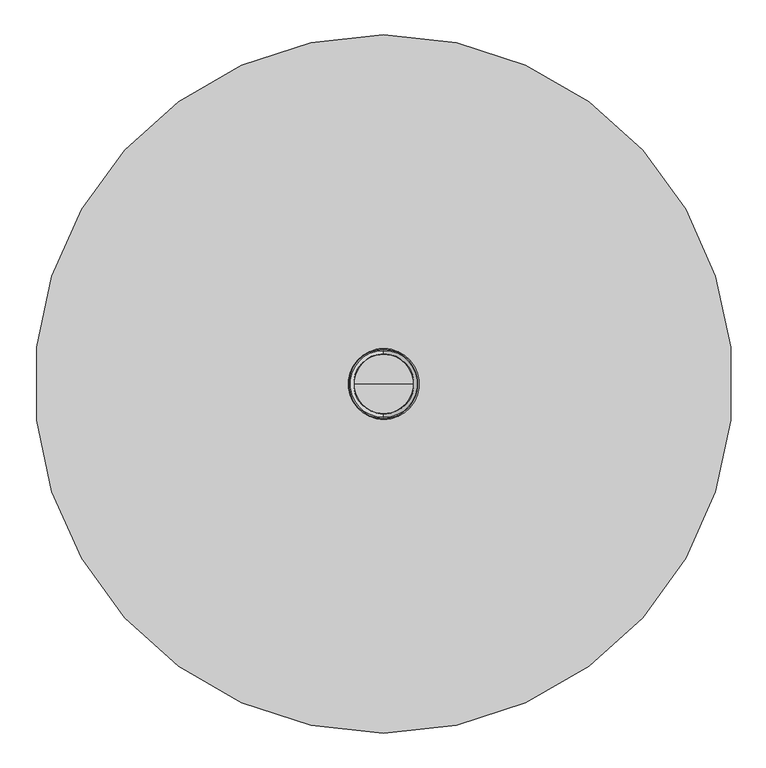
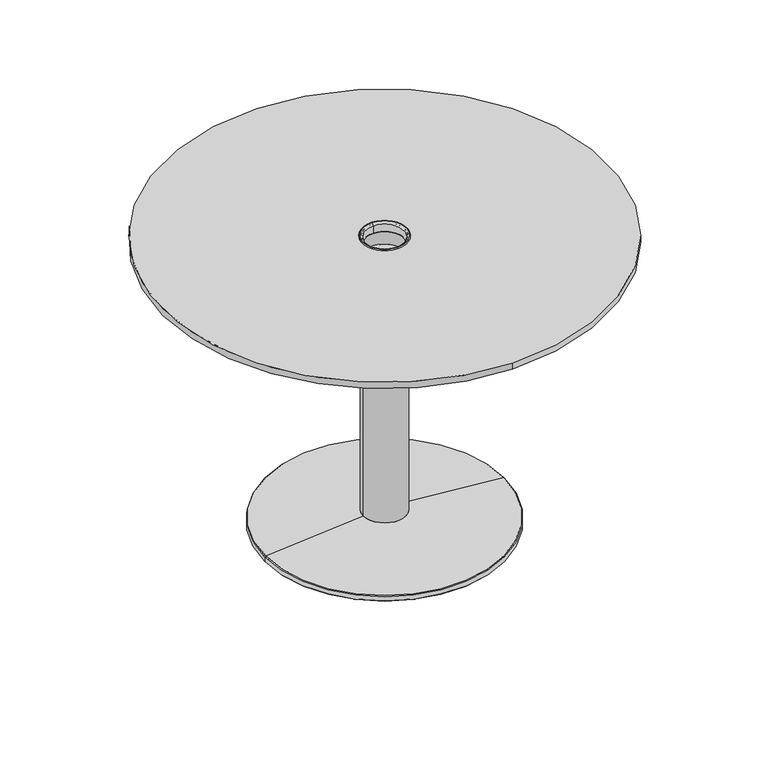
"""IFC4 building model written with IfcOpenShell, lengths in millimetres: furniture geometry."""

import ifcopenshell
import ifcopenshell.guid

model = None  # the IFC model being written
_history = None  # IfcOwnerHistory: only IFC2X3 demands one
_inside = {}  # id of a spatial element -> (the spatial element, [elements in it])
_under = {}  # id of a project, library or spatial element -> (it, [spatial elements below it])
_declared = {}  # id of a project -> (the project, [libraries it declares])
_typed = {}  # id of a type object -> (the type object, [elements of that type])
_made_of = {}  # id of a material, layer set ... -> (it, [elements and type objects made of it])


def new_model(schema):
    """Start an empty IFC model of exactly this schema.

    Asked for "IFC4X3", IfcOpenShell would pick the latest addendum, in which some entities
    have other attributes; the version numbers below select the first issue.
    IFC2X3 requires an IfcOwnerHistory on every rooted entity: one is made here for all.
    """
    global model, _history
    if schema == "IFC4X3":
        model = ifcopenshell.file(schema_version=(4, 3, 0, 0))
    else:
        model = ifcopenshell.file(schema=schema)
    _inside.clear()
    _under.clear()
    _declared.clear()
    _typed.clear()
    _made_of.clear()
    _history = None
    if model.schema == "IFC2X3":
        org = make("IfcOrganization", Name="unknown")
        user = make(
            "IfcPersonAndOrganization",
            ThePerson=make("IfcPerson", FamilyName="unknown"),
            TheOrganization=org,
        )
        app = make(
            "IfcApplication",
            ApplicationDeveloper=org,
            Version="unknown",
            ApplicationFullName="unknown",
            ApplicationIdentifier="unknown",
        )
        _history = make(
            "IfcOwnerHistory",
            OwningUser=user,
            OwningApplication=app,
            ChangeAction="ADDED",
            CreationDate=0,
        )
    return model


def make(cls, **values):
    """One entity of the class cls with the attributes given. An attribute that is None is left unset."""
    return model.create_entity(
        cls, **{name: value for name, value in values.items() if value is not None}
    )


def rooted(cls, **values):
    """An entity with a GlobalId (a new one), such as an element, a storey or a relation."""
    return make(cls, GlobalId=ifcopenshell.guid.new(), OwnerHistory=_history, **values)


def si_unit(unit_type, name, prefix=None):
    """IfcSIUnit, for example si_unit("LENGTHUNIT", "METRE", prefix="MILLI")."""
    return make("IfcSIUnit", UnitType=unit_type, Prefix=prefix, Name=name)


def assignment(units):
    """IfcUnitAssignment: the units of a project."""
    return None if units is None else make("IfcUnitAssignment", Units=units)


def point(xyz):
    """IfcCartesianPoint."""
    return None if xyz is None else make("IfcCartesianPoint", Coordinates=xyz)


def direction(xyz):
    """IfcDirection."""
    return None if xyz is None else make("IfcDirection", DirectionRatios=xyz)


def frame(location, z_axis=None, x_axis=None):
    """IfcAxis2Placement3D, a coordinate frame: its origin and axes. An axis left out is left unset."""
    return make(
        "IfcAxis2Placement3D",
        Location=point(location),
        Axis=direction(z_axis),
        RefDirection=direction(x_axis),
    )


def frame_2d(location, x_axis=None):
    """IfcAxis2Placement2D, a coordinate frame in the plane: its origin and x axis."""
    return make(
        "IfcAxis2Placement2D", Location=point(location), RefDirection=direction(x_axis)
    )


def origin():
    """The frame at (0, 0, 0) with its axes left unset."""
    return frame((0.0, 0.0, 0.0))


def origin_2d():
    """The frame at (0, 0) in the plane with its x axis left unset."""
    return frame_2d((0.0, 0.0))


def place(relative_to, where):
    """IfcLocalPlacement: puts the frame where relative to a parent placement (None: the world)."""
    return make(
        "IfcLocalPlacement", PlacementRelTo=relative_to, RelativePlacement=where
    )


def context(
    kind, dimensions, precision=None, world=None, true_north=None, identifier=None
):
    """IfcGeometricRepresentationContext, for example the 3D "Model" context."""
    return make(
        "IfcGeometricRepresentationContext",
        ContextIdentifier=identifier,
        ContextType=kind,
        CoordinateSpaceDimension=dimensions,
        Precision=precision,
        WorldCoordinateSystem=world,
        TrueNorth=true_north,
    )


def project(units=None, contexts=None):
    """IfcProject with its units and contexts."""
    return rooted(
        "IfcProject",
        Name="project",
        RepresentationContexts=contexts,
        UnitsInContext=assignment(units),
    )


def spatial(cls, under=None, at=None, **own):
    """A site, building, storey or space (cls), placed at a placement, below another one or the project."""
    s = rooted(cls, ObjectPlacement=at, **own)
    if under is not None:
        _under.setdefault(under.id(), (under, []))[1].append(s)
    return s


def polyline(points):
    """IfcPolyline through the points."""
    return make("IfcPolyline", Points=[point(p) for p in points])


def circle_curve(where, radius):
    """IfcCircle in the frame where."""
    return make("IfcCircle", Position=where, Radius=radius)


def ellipse_curve(where, semi_axis1, semi_axis2):
    """IfcEllipse in the frame where."""
    return make(
        "IfcEllipse", Position=where, SemiAxis1=semi_axis1, SemiAxis2=semi_axis2
    )


def trimmed(basis, trim1, trim2, sense, master):
    """IfcTrimmedCurve: the piece of a basis curve between two trims."""
    return make(
        "IfcTrimmedCurve",
        BasisCurve=basis,
        Trim1=trim1,
        Trim2=trim2,
        SenseAgreement=sense,
        MasterRepresentation=master,
    )


def segment(curve, same_sense, transition):
    """IfcCompositeCurveSegment."""
    return make(
        "IfcCompositeCurveSegment",
        Transition=transition,
        SameSense=same_sense,
        ParentCurve=curve,
    )


def composite_curve(segments, self_intersect=None):
    """IfcCompositeCurve: segments joined end to end."""
    return make("IfcCompositeCurve", Segments=segments, SelfIntersect=self_intersect)


def outline(outer, holes=None, kind="AREA"):
    """IfcArbitraryClosedProfileDef: a profile drawn as a closed curve; with holes, ...WithVoids."""
    if holes is None:
        return make("IfcArbitraryClosedProfileDef", ProfileType=kind, OuterCurve=outer)
    return make(
        "IfcArbitraryProfileDefWithVoids",
        ProfileType=kind,
        OuterCurve=outer,
        InnerCurves=holes,
    )


def extrude(swept, where, along, depth):
    """IfcExtrudedAreaSolid: the profile swept, set in the frame where, extruded along a direction by depth."""
    return make(
        "IfcExtrudedAreaSolid",
        SweptArea=swept,
        Position=where,
        ExtrudedDirection=direction(along),
        Depth=depth,
    )


def shape(context_of_items, identifier, shape_type, items):
    """IfcShapeRepresentation: the items that make up one representation, for example the "Body"."""
    return make(
        "IfcShapeRepresentation",
        ContextOfItems=context_of_items,
        RepresentationIdentifier=identifier,
        RepresentationType=shape_type,
        Items=items,
    )


def source(mapping_origin, context_of_items, identifier, shape_type, items):
    """IfcRepresentationMap: a shape defined once, which mapped items show again and again."""
    return make(
        "IfcRepresentationMap",
        MappingOrigin=mapping_origin,
        MappedRepresentation=shape(context_of_items, identifier, shape_type, items),
    )


def transform(
    local_origin,
    x_axis=None,
    y_axis=None,
    z_axis=None,
    scale=None,
    scale2=None,
    scale3=None,
    uniform=True,
):
    """IfcCartesianTransformationOperator3D, or its non-uniform kind. x_axis, y_axis, z_axis: its Axis1, 2, 3."""
    if uniform:
        return make(
            "IfcCartesianTransformationOperator3D",
            Axis1=direction(x_axis),
            Axis2=direction(y_axis),
            LocalOrigin=point(local_origin),
            Scale=scale,
            Axis3=direction(z_axis),
        )
    return make(
        "IfcCartesianTransformationOperator3DnonUniform",
        Axis1=direction(x_axis),
        Axis2=direction(y_axis),
        LocalOrigin=point(local_origin),
        Scale=scale,
        Axis3=direction(z_axis),
        Scale2=scale2,
        Scale3=scale3,
    )


def mapped(mapping_source, mapping_target):
    """IfcMappedItem: shows the shape of a source again, moved by a transform."""
    return make(
        "IfcMappedItem", MappingSource=mapping_source, MappingTarget=mapping_target
    )


def made_of(thing, what):
    """Note that an element or type object is made of a material, layer set ...; save() writes the relation."""
    if what is not None:
        _made_of.setdefault(what.id(), (what, []))[1].append(thing)
    return thing


def element(
    cls,
    number,
    at=None,
    inside=None,
    cuts=None,
    type_object=None,
    material=None,
    context=None,
    identifier="Body",
    shape_type=None,
    held_by="IfcProductDefinitionShape",
    body=None,
    shapes=None,
    **own,
):
    """One element of the class cls, such as IfcWall. Its Tag is "e" and its number.

    at: its placement. inside: the storey or other place that contains it. cuts: it is an
    opening in that element (IfcRelVoidsElement). A single representation is given by context,
    identifier, shape_type and body (its items); several are given by shapes. held_by: the class
    of the entity that holds the representations. save() writes the other relations.
    """
    e = rooted(cls, Tag="e%d" % number, ObjectPlacement=at, **own)
    if body is not None:
        shapes = [shape(context, identifier, shape_type, body)]
    if shapes is not None:
        e.Representation = make(held_by, Representations=shapes)
    if inside is not None:
        _inside.setdefault(inside.id(), (inside, []))[1].append(e)
    if cuts is not None:
        rooted(
            "IfcRelVoidsElement", RelatingBuildingElement=cuts, RelatedOpeningElement=e
        )
    if type_object is not None:
        _typed.setdefault(type_object.id(), (type_object, []))[1].append(e)
    return made_of(e, material)


def aggregate(whole, parts):
    """IfcRelAggregates: a whole, such as a stair, and the parts it consists of."""
    return rooted("IfcRelAggregates", RelatingObject=whole, RelatedObjects=parts)


def save(model, path):
    """Write the relations noted so far, then the file.

    IfcRelAggregates (storeys below a building ...), IfcRelContainedInSpatialStructure (elements
    in a storey), IfcRelDefinesByType, IfcRelAssociatesMaterial and IfcRelDeclares: one each for
    every whole, place, type object, material and project.
    """
    for whole, parts in _under.values():
        aggregate(whole, parts)
    for where, things in _inside.values():
        rooted(
            "IfcRelContainedInSpatialStructure",
            RelatedElements=things,
            RelatingStructure=where,
        )
    for kind, things in _typed.values():
        rooted("IfcRelDefinesByType", RelatedObjects=things, RelatingType=kind)
    for what, things in _made_of.values():
        rooted("IfcRelAssociatesMaterial", RelatedObjects=things, RelatingMaterial=what)
    for by, libraries in _declared.values():
        rooted("IfcRelDeclares", RelatingContext=by, RelatedDefinitions=libraries)
    model.write(path)


def plane_surface(at):
    """IfcPlane: the flat surface through the origin of the frame at, square to its z axis."""
    return make("IfcPlane", Position=at)


def revolved_surface(curve, axis_point, axis_direction):
    """IfcSurfaceOfRevolution: the curve turned about the line through axis_point along axis_direction."""
    return make(
        "IfcSurfaceOfRevolution",
        SweptCurve=make("IfcArbitraryOpenProfileDef", ProfileType="CURVE", Curve=curve),
        AxisPosition=make("IfcAxis1Placement", Location=point(axis_point), Axis=direction(axis_direction)),
    )


def advanced_brep(points, edges, surfaces, faces):
    """IfcAdvancedBrep: a solid bounded by faces that lie on surfaces and meet in shared edges.

    An edge is (start, end): straight between two places in points (the first is 0);
    or (start, end, curve); or (start, end, curve, False) where it runs against its curve.
    A face is (place in surfaces, loops), or (place, loops, False) where it looks against
    its surface's normal. A loop lists edges by number (the first is 1), with a minus sign
    where the edge is run from its end to its start. The first loop is the outer one.
    """
    corners = [point(p) for p in points]
    vertices = [make("IfcVertexPoint", VertexGeometry=c) for c in corners]
    made = []
    for start, end, *more in edges:
        made.append(
            make(
                "IfcEdgeCurve",
                EdgeStart=vertices[start],
                EdgeEnd=vertices[end],
                EdgeGeometry=more[0] if more else make("IfcPolyline", Points=[corners[start], corners[end]]),
                SameSense=more[1] if len(more) > 1 else True,
            )
        )
    hull = []
    for where, loops, *sense in faces:
        bounds = []
        for j, loop in enumerate(loops):
            ring = [make("IfcOrientedEdge", EdgeElement=made[abs(k) - 1], Orientation=k > 0) for k in loop]
            bounds.append(
                make(
                    "IfcFaceOuterBound" if j == 0 else "IfcFaceBound",
                    Bound=make("IfcEdgeLoop", EdgeList=ring),
                    Orientation=True,
                )
            )
        hull.append(make("IfcAdvancedFace", Bounds=bounds, FaceSurface=surfaces[where], SameSense=sense[0] if sense else True))
    return make("IfcAdvancedBrep", Outer=make("IfcClosedShell", CfsFaces=hull))


def furniture_881d5512(model_context):
    return source(origin(), model_context, "Body", "SolidModel", [
        advanced_brep(
        [(0.0, 357.4675701, 713.5865065), (0.0, -357.4675701, 713.5865065), (-48.5223428, 0.0, 713.5865065), (48.5223428, 0.0, 713.5865065), (0.0, 56.1684125, 674.366662), (0.0, -56.1684126, 674.366662), (48.5223428, 0.0, 674.366662), (-48.5223428, 0.0, 674.366662)],
        [
            (0, 1, circle_curve(frame((0.0, 0.0, 713.5865065), z_axis=(0.0, 0.0, 1.0), x_axis=(0.0, 1.0, 0.0)), 357.4675701)),
            (1, 0, circle_curve(frame((0.0, 0.0, 713.5865065), z_axis=(0.0, 0.0, 1.0), x_axis=(0.0, -1.0, 0.0)), 357.4675701)),
            (2, 3, circle_curve(frame((0.0, 0.0, 713.5865065), z_axis=(0.0, 0.0, -1.0), x_axis=(-1.0, 0.0, 0.0)), 48.5223428)),
            (3, 2, circle_curve(frame((0.0, 0.0, 713.5865065), z_axis=(0.0, 0.0, -1.0), x_axis=(-1.0, 0.0, 0.0)), 48.5223428)),
            (4, 5, circle_curve(frame((0.0, 0.0, 674.366662), z_axis=(0.0, 0.0, -1.0), x_axis=(0.0, -1.0, 0.0)), 56.1684126)),
            (5, 4, circle_curve(frame((0.0, 0.0, 674.366662), z_axis=(0.0, 0.0, -1.0), x_axis=(0.0, 1.0, 0.0)), 56.1684126)),
            (6, 7, circle_curve(frame((0.0, 0.0, 674.366662), z_axis=(0.0, 0.0, 1.0), x_axis=(-1.0, 0.0, 0.0)), 48.5223428)),
            (7, 6, circle_curve(frame((0.0, 0.0, 674.366662), z_axis=(0.0, 0.0, 1.0), x_axis=(-1.0, 0.0, 0.0)), 48.5223428)),
            (0, 4),
            (5, 1),
            (6, 3),
            (2, 7),
        ],
        [
            plane_surface(frame((0.0, 0.0, 713.5865065), z_axis=(0.0, 0.0, 1.0), x_axis=(-1.0, 0.0, 0.0))),
            plane_surface(frame((0.0, 0.0, 674.366662), z_axis=(0.0, 0.0, -1.0), x_axis=(-1.0, 0.0, 0.0))),
            revolved_surface(polyline([(0.0, -56.16841243705527, 674.366662), (0.0, -357.4675701, 713.5865065)]), (0.0, 0.0, 667.0552695), (0.0, 0.0, 1.0)),
            revolved_surface(polyline([(0.0, 56.16841243705527, 674.366662), (0.0, 357.4675701, 713.5865065)]), (0.0, 0.0, 667.0552695), (0.0, 0.0, 1.0)),
            revolved_surface(polyline([(-48.5223428, 0.0, 713.5865065), (-48.5223428, 0.0, 674.366662)]), (0.0, 0.0, 648.966662), (0.0, 0.0, 1.0)),
        ],
        [
            (0, [[1, 2], [3, 4]]),
            (1, [[5, 6], [7, 8]]),
            (2, [[-1, 9, -6, 10]]),
            (3, [[-2, -10, -5, -9]]),
            (4, [[11, -3, 12, -7]]),
            (4, [[-11, -8, -12, -4]]),
        ],
    ),
        advanced_brep(
        [(0.0, -54.2544009, 729.4615186), (0.0, 54.2544009, 729.4615186), (0.0, 52.8828004, 731.544313), (0.0, -52.8828004, 731.544313), (0.0, -47.6327121, 726.7151382), (0.0, 47.6327121, 726.7151382), (0.0, 50.6184685, 729.4615186), (0.0, -50.6184685, 729.4615186), (0.0, -46.9942745, 708.4326786), (0.0, 46.9942745, 708.4326786), (0.0, -48.5168333, 706.8565757), (0.0, 48.5168333, 706.8565757), (0.0, -45.3929869, 708.4326786), (0.0, 45.3929869, 708.4326786), (0.0, 46.8636457, 706.8565757), (0.0, -46.8636457, 706.8565757), (0.0, -46.0096689, 726.7151382), (0.0, 46.0096689, 726.7151382), (0.0, -51.0808619, 731.544313), (0.0, 51.0808619, 731.544313)],
        [
            (0, 1, circle_curve(frame((0.0, 0.0, 729.4615186), z_axis=(0.0, 0.0, 1.0), x_axis=(0.0, 1.0, 0.0)), 54.2544009)),
            (1, 2, circle_curve(frame((0.0, 51.4114122, 729.0823239), z_axis=(1.0, 0.0, 0.0), x_axis=(0.0, 1.0, 0.0)), 2.8681655)),
            (2, 3, circle_curve(frame((0.0, 0.0, 731.544313), z_axis=(0.0, 0.0, -1.0), x_axis=(0.0, 1.0, 0.0)), 52.8828004)),
            (3, 0, circle_curve(frame((0.0, -51.4114122, 729.0823239), z_axis=(1.0, 0.0, 0.0), x_axis=(0.0, -1.0, 0.0)), 2.8681655)),
            (4, 5, circle_curve(frame((0.0, 0.0, 726.7151382), z_axis=(0.0, 0.0, 1.0), x_axis=(0.0, 1.0, 0.0)), 47.6327121)),
            (5, 6),
            (6, 7, circle_curve(frame((0.0, 0.0, 729.4615186), z_axis=(0.0, 0.0, -1.0), x_axis=(0.0, 1.0, 0.0)), 50.6184685)),
            (7, 4),
            (8, 9, circle_curve(frame((0.0, 0.0, 708.4326786), z_axis=(0.0, 0.0, 1.0), x_axis=(0.0, 1.0, 0.0)), 46.9942745)),
            (9, 5),
            (4, 8),
            (10, 11, circle_curve(frame((0.0, 0.0, 706.8565757), z_axis=(0.0, 0.0, 1.0), x_axis=(0.0, 1.0, 0.0)), 48.5168333)),
            (11, 9),
            (8, 10),
            (12, 13, circle_curve(frame((0.0, 0.0, 708.4326786), z_axis=(0.0, 0.0, 1.0), x_axis=(0.0, 1.0, 0.0)), 45.3929869)),
            (13, 14),
            (14, 15, circle_curve(frame((0.0, 0.0, 706.8565757), z_axis=(0.0, 0.0, -1.0), x_axis=(0.0, 1.0, 0.0)), 46.8636457)),
            (15, 12),
            (16, 17, circle_curve(frame((0.0, 0.0, 726.7151382), z_axis=(0.0, 0.0, 1.0), x_axis=(0.0, 1.0, 0.0)), 46.0096689)),
            (17, 13),
            (12, 16),
            (18, 19, circle_curve(frame((0.0, 0.0, 731.544313), z_axis=(0.0, 0.0, 1.0), x_axis=(0.0, 1.0, 0.0)), 51.0808619)),
            (19, 17),
            (16, 18),
            (2, 3, circle_curve(frame((0.0, 0.0, 731.544313), z_axis=(0.0, 0.0, 1.0), x_axis=(0.0, -1.0, 0.0)), 52.8828004)),
            (18, 19, circle_curve(frame((0.0, 0.0, 731.544313), z_axis=(0.0, 0.0, -1.0), x_axis=(0.0, -1.0, 0.0)), 51.0808619)),
            (1, 0, circle_curve(frame((0.0, 0.0, 729.4615186), z_axis=(0.0, 0.0, 1.0), x_axis=(0.0, -1.0, 0.0)), 54.2544009)),
            (6, 7, circle_curve(frame((0.0, 0.0, 729.4615186), z_axis=(0.0, 0.0, 1.0), x_axis=(0.0, -1.0, 0.0)), 50.6184685)),
            (5, 4, circle_curve(frame((0.0, 0.0, 726.7151382), z_axis=(0.0, 0.0, 1.0), x_axis=(0.0, -1.0, 0.0)), 47.6327121)),
            (9, 8, circle_curve(frame((0.0, 0.0, 708.4326786), z_axis=(0.0, 0.0, 1.0), x_axis=(0.0, -1.0, 0.0)), 46.9942745)),
            (11, 10, circle_curve(frame((0.0, 0.0, 706.8565757), z_axis=(0.0, 0.0, 1.0), x_axis=(0.0, -1.0, 0.0)), 48.5168333)),
            (14, 15, circle_curve(frame((0.0, 0.0, 706.8565757), z_axis=(0.0, 0.0, 1.0), x_axis=(0.0, -1.0, 0.0)), 46.8636457)),
            (13, 12, circle_curve(frame((0.0, 0.0, 708.4326786), z_axis=(0.0, 0.0, 1.0), x_axis=(0.0, -1.0, 0.0)), 45.3929869)),
            (17, 16, circle_curve(frame((0.0, 0.0, 726.7151382), z_axis=(0.0, 0.0, 1.0), x_axis=(0.0, -1.0, 0.0)), 46.0096689)),
        ],
        [
            revolved_surface(trimmed(ellipse_curve(frame((0.0, 51.4114122, 729.0823239), z_axis=(-1.0, 0.0, 0.0), x_axis=(0.0, 1.0, 0.0)), 2.8681655, 2.8681655), [point((0.0, 52.8828004, 731.544313))], [point((0.0, 54.2544009, 729.4615186))], True, "CARTESIAN"), (0.0, 0.0, 729.4615186), (0.0, 0.0, -1.0)),
            revolved_surface(polyline([(0.0, 50.6184685, 729.4615186), (0.0, 47.6327121, 726.7151382)]), (0.0, 0.0, 729.4615186), (0.0, 0.0, -1.0)),
            revolved_surface(polyline([(0.0, 47.6327121, 726.7151382), (0.0, 46.9942745, 708.4326786)]), (0.0, 0.0, 729.4615186), (0.0, 0.0, -1.0)),
            revolved_surface(polyline([(0.0, 46.9942745, 708.4326786), (0.0, 48.5168333, 706.8565757)]), (0.0, 0.0, 729.4615186), (0.0, 0.0, -1.0)),
            revolved_surface(polyline([(0.0, 46.8636457, 706.8565757), (0.0, 45.3929869, 708.4326786)]), (0.0, 0.0, 729.4615186), (0.0, 0.0, -1.0)),
            revolved_surface(polyline([(0.0, 45.3929869, 708.4326786), (0.0, 46.0096689, 726.7151382)]), (0.0, 0.0, 729.4615186), (0.0, 0.0, -1.0)),
            revolved_surface(polyline([(0.0, 46.0096689, 726.7151382), (0.0, 51.0808619, 731.544313)]), (0.0, 0.0, 729.4615186), (0.0, 0.0, -1.0)),
            plane_surface(frame((0.0, 0.0, 731.544313), z_axis=(0.0, 0.0, 1.0), x_axis=(0.0, -1.0, 0.0))),
            revolved_surface(trimmed(ellipse_curve(frame((0.0, -51.4114122, 729.0823239), z_axis=(1.0, 0.0, 0.0), x_axis=(0.0, -1.0, 0.0)), 2.8681655, 2.8681655), [point((0.0, -52.8828004, 731.544313))], [point((0.0, -54.2544009, 729.4615186))], True, "CARTESIAN"), (0.0, 0.0, 729.4615186), (0.0, 0.0, -1.0)),
            plane_surface(frame((0.0, 0.0, 729.4615186), z_axis=(0.0, 0.0, -1.0), x_axis=(0.0, -1.0, 0.0))),
            revolved_surface(polyline([(0.0, -50.6184685, 729.4615186), (0.0, -47.6327121, 726.7151382)]), (0.0, 0.0, 729.4615186), (0.0, 0.0, -1.0)),
            revolved_surface(polyline([(0.0, -47.6327121, 726.7151382), (0.0, -46.9942745, 708.4326786)]), (0.0, 0.0, 729.4615186), (0.0, 0.0, -1.0)),
            revolved_surface(polyline([(0.0, -46.9942745, 708.4326786), (0.0, -48.5168333, 706.8565757)]), (0.0, 0.0, 729.4615186), (0.0, 0.0, -1.0)),
            plane_surface(frame((0.0, 0.0, 706.8565757), z_axis=(0.0, 0.0, -1.0), x_axis=(0.0, -1.0, 0.0))),
            revolved_surface(polyline([(0.0, -46.8636457, 706.8565757), (0.0, -45.3929869, 708.4326786)]), (0.0, 0.0, 729.4615186), (0.0, 0.0, -1.0)),
            revolved_surface(polyline([(0.0, -45.3929869, 708.4326786), (0.0, -46.0096689, 726.7151382)]), (0.0, 0.0, 729.4615186), (0.0, 0.0, -1.0)),
            revolved_surface(polyline([(0.0, -46.0096689, 726.7151382), (0.0, -51.0808619, 731.544313)]), (0.0, 0.0, 729.4615186), (0.0, 0.0, -1.0)),
        ],
        [
            (0, [[1, 2, 3, 4]]),
            (1, [[5, 6, 7, 8]]),
            (2, [[9, 10, -5, 11]]),
            (3, [[12, 13, -9, 14]]),
            (4, [[15, 16, 17, 18]]),
            (5, [[19, 20, -15, 21]]),
            (6, [[22, 23, -19, 24]]),
            (7, [[25, -3], [26, -22]]),
            (8, [[27, -4, -25, -2]]),
            (9, [[-27, -1], [28, -7]]),
            (10, [[29, -8, -28, -6]]),
            (11, [[30, -11, -29, -10]]),
            (12, [[31, -14, -30, -13]]),
            (13, [[-31, -12], [32, -17]]),
            (14, [[33, -18, -32, -16]]),
            (15, [[34, -21, -33, -20]]),
            (16, [[-26, -24, -34, -23]]),
        ],
    ),
        extrude(outline(composite_curve([segment(trimmed(circle_curve(origin_2d(), 533.4), [point((0.0, -533.4))], [point((0.0, 533.4))], False, "CARTESIAN"), True, "CONTINUOUS"), segment(trimmed(circle_curve(origin_2d(), 533.4), [point((0.0, 533.4))], [point((0.0, -533.4))], False, "CARTESIAN"), True, "CONTINUOUS")], self_intersect=False), holes=[composite_curve([segment(trimmed(circle_curve(origin_2d(), 48.5223428), [point((48.5223428, 0.0))], [point((-48.5223428, 0.0))], True, "CARTESIAN"), True, "CONTINUOUS"), segment(trimmed(circle_curve(origin_2d(), 48.5223428), [point((-48.5223428, 0.0))], [point((48.5223428, 0.0))], True, "CARTESIAN"), True, "CONTINUOUS")], self_intersect=False)]), frame((0.0, 0.0, 713.5865065), z_axis=(0.0, 0.0, 1.0), x_axis=(1.0, 0.0, 0.0)), (0.0, 0.0, 1.0), 15.8750121),
        advanced_brep(
        [(51.5945586, 0.0, 673.6333803), (-51.5945586, 0.0, 673.6333803), (-52.0527639, 0.0, 674.366662), (52.0527639, 0.0, 674.366662), (51.5000489, 0.0, 671.899317), (-51.5000489, 0.0, 671.899317), (52.0875319, 0.0, 671.311834), (-52.0875319, 0.0, 671.311834), (0.0, 0.0, 671.311834), (0.0, 0.0, 674.366662)],
        [
            (0, 1, circle_curve(frame((0.0, 0.0, 673.6333803), z_axis=(0.0, 0.0, 1.0), x_axis=(-1.0, 0.0, 0.0)), 51.5945586)),
            (1, 2),
            (2, 3, circle_curve(frame((0.0, 0.0, 674.366662), z_axis=(0.0, 0.0, -1.0), x_axis=(-1.0, 0.0, 0.0)), 52.0527639)),
            (3, 0),
            (1, 0, circle_curve(frame((0.0, 0.0, 673.6333803), z_axis=(0.0, 0.0, 1.0), x_axis=(-1.0, 0.0, 0.0)), 51.5945586)),
            (3, 2, circle_curve(frame((0.0, 0.0, 674.366662), z_axis=(0.0, 0.0, -1.0), x_axis=(-1.0, 0.0, 0.0)), 52.0527639)),
            (4, 5, circle_curve(frame((0.0, 0.0, 671.899317), z_axis=(0.0, 0.0, 1.0), x_axis=(-1.0, 0.0, 0.0)), 51.5000489)),
            (5, 1),
            (0, 4),
            (5, 4, circle_curve(frame((0.0, 0.0, 671.899317), z_axis=(0.0, 0.0, 1.0), x_axis=(-1.0, 0.0, 0.0)), 51.5000489)),
            (6, 7, circle_curve(frame((0.0, 0.0, 671.311834), z_axis=(0.0, 0.0, 1.0), x_axis=(-1.0, 0.0, 0.0)), 52.0875319)),
            (7, 5),
            (4, 6),
            (7, 6, circle_curve(frame((0.0, 0.0, 671.311834), z_axis=(0.0, 0.0, 1.0), x_axis=(-1.0, 0.0, 0.0)), 52.0875319)),
            (8, 7),
            (6, 8),
            (2, 9),
            (9, 3),
        ],
        [
            revolved_surface(polyline([(-52.0527639, 0.0, 674.366662), (-51.5945586, 0.0, 673.6333803)]), (0.0, 0.0, 762.515346), (0.0, 0.0, -1.0)),
            revolved_surface(polyline([(-51.5945586, 0.0, 673.6333803), (-51.5000489, 0.0, 671.899317)]), (0.0, 0.0, 762.515346), (0.0, 0.0, -1.0)),
            revolved_surface(polyline([(-51.5000489, 0.0, 671.899317), (-52.0875319, 0.0, 671.311834)]), (0.0, 0.0, 762.515346), (0.0, 0.0, -1.0)),
            plane_surface(frame((0.0, 0.0, 671.311834), z_axis=(0.0, 0.0, -1.0), x_axis=(-1.0, 0.0, 0.0))),
            plane_surface(frame((0.0, 0.0, 674.366662), z_axis=(0.0, 0.0, 1.0), x_axis=(-1.0, 0.0, 0.0))),
        ],
        [
            (0, [[1, 2, 3, 4]]),
            (0, [[5, -4, 6, -2]]),
            (1, [[7, 8, -1, 9]]),
            (1, [[10, -9, -5, -8]]),
            (2, [[11, 12, -7, 13]]),
            (2, [[14, -13, -10, -12]]),
            (3, [[15, -11, 16]]),
            (3, [[-16, -14, -15]]),
            (4, [[-3, 17, 18]]),
            (4, [[-6, -18, -17]]),
        ],
    ),
        extrude(outline(composite_curve([segment(trimmed(circle_curve(origin_2d(), 50.8), [point((50.8, 0.0))], [point((-50.8, 0.0))], False, "CARTESIAN"), True, "CONTINUOUS"), segment(trimmed(circle_curve(origin_2d(), 50.8), [point((-50.8, 0.0))], [point((50.8, 0.0))], False, "CARTESIAN"), True, "CONTINUOUS")], self_intersect=False), holes=[composite_curve([segment(trimmed(circle_curve(origin_2d(), 46.9942745), [point((46.9942745, 0.0))], [point((-46.9942745, 0.0))], True, "CARTESIAN"), True, "CONTINUOUS"), segment(trimmed(circle_curve(origin_2d(), 46.9942745), [point((-46.9942745, 0.0))], [point((46.9942745, 0.0))], True, "CARTESIAN"), True, "CONTINUOUS")], self_intersect=False)]), frame((0.0, 0.0, 34.0105989), z_axis=(0.0, 0.0, 1.0), x_axis=(1.0, 0.0, 0.0)), (0.0, 0.0, 1.0), 640.3560631),
        advanced_brep(
        [(50.8000015, 0.0, 34.0105989), (-50.8000015, 0.0, 34.0105989), (0.0, 0.0, 34.0105989), (286.2495698, 0.0, 14.2217882), (-286.2495698, 0.0, 14.2217882), (288.0588889, 0.0, 12.3858446), (-288.0588889, 0.0, 12.3858446), (288.7767956, 0.0, 2.1194015), (-288.7767956, 0.0, 2.1194015), (286.8004264, 0.0, 0.0), (-286.8004264, 0.0, 0.0), (0.0, 0.0, 0.0)],
        [
            (0, 1, circle_curve(frame((0.0, 0.0, 34.0105989), z_axis=(0.0, 0.0, 1.0), x_axis=(-1.0, 0.0, 0.0)), 50.8000015)),
            (1, 2),
            (2, 0),
            (1, 0, circle_curve(frame((0.0, 0.0, 34.0105989), z_axis=(0.0, 0.0, 1.0), x_axis=(-1.0, 0.0, 0.0)), 50.8000015)),
            (3, 4, circle_curve(frame((0.0, 0.0, 14.2217882), z_axis=(0.0, 0.0, 1.0), x_axis=(-1.0, 0.0, 0.0)), 286.2495698)),
            (4, 1),
            (0, 3),
            (4, 3, circle_curve(frame((0.0, 0.0, 14.2217882), z_axis=(0.0, 0.0, 1.0), x_axis=(-1.0, 0.0, 0.0)), 286.2495698)),
            (5, 6, circle_curve(frame((0.0, 0.0, 12.3858446), z_axis=(0.0, 0.0, 1.0), x_axis=(-1.0, 0.0, 0.0)), 288.0588889)),
            (6, 4),
            (3, 5),
            (6, 5, circle_curve(frame((0.0, 0.0, 12.3858446), z_axis=(0.0, 0.0, 1.0), x_axis=(-1.0, 0.0, 0.0)), 288.0588889)),
            (7, 8, circle_curve(frame((0.0, 0.0, 2.1194015), z_axis=(0.0, 0.0, 1.0), x_axis=(-1.0, 0.0, 0.0)), 288.7767956)),
            (8, 6),
            (5, 7),
            (8, 7, circle_curve(frame((0.0, 0.0, 2.1194015), z_axis=(0.0, 0.0, 1.0), x_axis=(-1.0, 0.0, 0.0)), 288.7767956)),
            (9, 10, circle_curve(frame((0.0, 0.0, 0.0), z_axis=(0.0, 0.0, 1.0), x_axis=(-1.0, 0.0, 0.0)), 286.8004264)),
            (10, 8),
            (7, 9),
            (10, 9, circle_curve(frame((0.0, 0.0, 0.0), z_axis=(0.0, 0.0, 1.0), x_axis=(-1.0, 0.0, 0.0)), 286.8004264)),
            (11, 10),
            (9, 11),
        ],
        [
            plane_surface(frame((0.0, 0.0, 34.0105989), z_axis=(0.0, 0.0, 1.0), x_axis=(-1.0, 0.0, 0.0))),
            revolved_surface(polyline([(-50.8000015, 0.0, 34.0105989), (-286.2495698, 0.0, 14.2217882)]), (0.0, 0.0, -6.35), (0.0, 0.0, -1.0)),
            revolved_surface(polyline([(-286.2495698, 0.0, 14.2217882), (-288.0588889, 0.0, 12.3858446)]), (0.0, 0.0, -6.35), (0.0, 0.0, -1.0)),
            revolved_surface(polyline([(-288.0588889, 0.0, 12.3858446), (-288.7767956, 0.0, 2.1194015)]), (0.0, 0.0, -6.35), (0.0, 0.0, -1.0)),
            revolved_surface(polyline([(-288.7767956, 0.0, 2.1194015), (-286.8004264, 0.0, 0.0)]), (0.0, 0.0, -6.35), (0.0, 0.0, -1.0)),
            plane_surface(frame((0.0, 0.0, 0.0), z_axis=(0.0, 0.0, -1.0), x_axis=(-1.0, 0.0, 0.0))),
        ],
        [
            (0, [[1, 2, 3]]),
            (0, [[4, -3, -2]]),
            (1, [[5, 6, -1, 7]]),
            (1, [[8, -7, -4, -6]]),
            (2, [[9, 10, -5, 11]]),
            (2, [[12, -11, -8, -10]]),
            (3, [[13, 14, -9, 15]]),
            (3, [[16, -15, -12, -14]]),
            (4, [[17, 18, -13, 19]]),
            (4, [[20, -19, -16, -18]]),
            (5, [[21, -17, 22]]),
            (5, [[-22, -20, -21]]),
        ],
    ),
    ])


if __name__ == "__main__":
    model = new_model("IFC4")
    model_context = context("Model", 3, world=origin())
    ifc_project = project(units=[si_unit("LENGTHUNIT", "METRE", prefix="MILLI")], contexts=[model_context])
    site = spatial("IfcSite", under=ifc_project)
    building = spatial("IfcBuilding", under=site)
    placement = place(None, origin())
    furniture_shape = furniture_881d5512(model_context)
    element("IfcFurniture", 1, at=placement, inside=building, context=model_context, shape_type="MappedRepresentation", body=[
        mapped(furniture_shape, transform((0.0, 0.0, 0.0), x_axis=(1.0, 0.0, 0.0), y_axis=(0.0, 1.0, 0.0), z_axis=(0.0, 0.0, 1.0))),
    ])
    save(model, "model.ifc")
